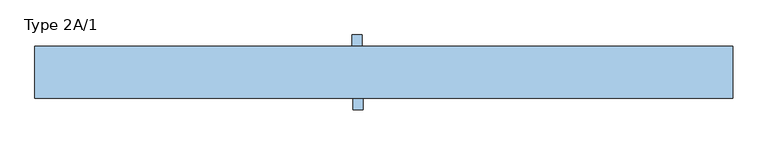
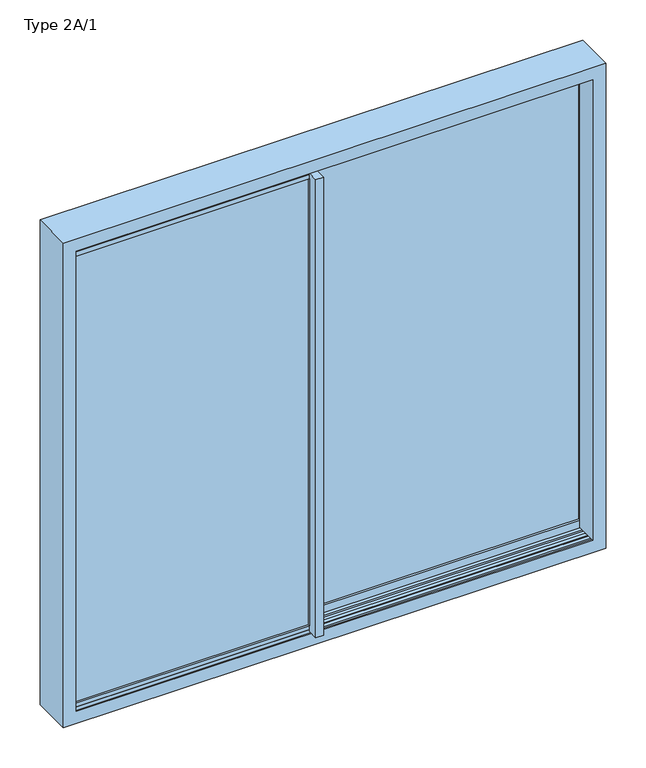
"""IFC4 building model written with IfcOpenShell, lengths in millimetres: window geometry, Type 2A/1."""

from ifc_helpers import new_model, si_unit, frame, origin, origin_with_axes, place, context, project, spatial, polyline, outline, extrude, faceted_brep, source, transform, mapped, element, save


def type_2a_1_108024bb(model_context):
    return source(origin(), model_context, "Body", "SolidModel", [
        faceted_brep([(1133.2202041, 73.0, 31.5797959), (1133.2202041, 83.0, 31.5797959), (-72.2, 83.0, 31.5797959), (-72.2, 73.0, 31.5797959), (-93.279797, 83.0, 12.7999989), (1152.0000011, 83.0, 12.7999989), (1152.0000011, 140.0, 12.7999989), (-93.279797, 140.0, 12.7999989), (-105.5, 137.5, -15.1996996), (-105.5, 140.0, -15.1996996), (1160.7000008, 140.0, -15.1996996), (1160.7000008, 137.5, -15.1996996), (-105.5, 137.5, 2.7998487), (-105.5, 75.4999999, 2.7998487), (-105.5, 75.4999999, -15.1996996), (-105.5, 73.0, -15.1996996), (-105.5, 73.0, 5.8356019), (-105.5, 53.5000069, 5.8356019), (-105.5, 53.5000069, 2127.2000011), (-105.5, 73.0, 2127.2000011), (-105.5, 73.0, 2148.1996996), (-105.5, 75.4999999, 2148.1996996), (-105.5, 75.4999999, 2130.2001513), (-105.5, 137.5, 2130.2001513), (-105.5, 137.5, 2148.1996996), (-105.5, 140.0, 2148.1996996), (1160.7000008, 140.0, 2148.1996996), (1152.0000011, 140.0, 2120.2000011), (-93.279797, 140.0, 2120.2000011), (-90.0, 73.0, 5.8356019), (1160.7000008, 73.0, -15.1996996), (1160.7000008, 73.0, 2148.1996996), (-90.0, 73.0, 2127.2000011), (1133.2202041, 73.0, 2101.4202041), (-72.2, 73.0, 2101.4202041), (1152.0000011, 83.0, 2120.2000011), (-93.279797, 83.0, 2120.2000011), (1133.2202041, 83.0, 2101.4202041), (-72.2, 83.0, 2101.4202041), (1160.7000008, 137.5, 2.7998487), (1160.7000008, 137.5, 2130.2001513), (1160.7000008, 137.5, 2148.1996996), (1160.7000008, 75.4999999, 2.7998487), (1160.7000008, 75.4999999, -15.1996996), (1160.7000008, 75.4999999, 2148.1996996), (1160.7000008, 75.4999999, 2130.2001513), (-90.0, 53.5000069, 5.8356019), (-90.0, 53.5000069, 2127.2000011)], [[[0, 1, 2, 3]], [[4, 5, 6, 7]], [[8, 9, 10, 11]], [[9, 8, 12, 13, 14, 15, 16, 17, 18, 19, 20, 21, 22, 23, 24, 25]], [[9, 25, 26, 10], [6, 27, 28, 7]], [[29, 16, 15, 30, 31, 20, 19, 32], [33, 0, 3, 34]], [[35, 5, 4, 36], [1, 37, 38, 2]], [[12, 8, 11, 39]], [[24, 23, 40, 41]], [[13, 12, 39, 42]], [[14, 13, 42, 43]], [[22, 21, 44, 45]], [[29, 46, 17, 16]], [[47, 18, 17, 46]], [[0, 33, 37, 1]], [[2, 38, 34, 3]], [[29, 32, 47, 46]], [[5, 35, 27, 6]], [[36, 4, 7, 28]], [[18, 47, 32, 19]], [[25, 24, 41, 26]], [[23, 22, 45, 40]], [[37, 33, 34, 38]], [[27, 35, 36, 28]], [[15, 14, 43, 30]], [[31, 30, 43, 42, 39, 11, 10, 26, 41, 40, 45, 44]], [[21, 20, 31, 44]]]),
        extrude(outline(polyline([(2120.2000011, -93.279797), (12.7999989, -93.279797), (12.7999989, 1152.0000011), (2120.2000011, 1152.0000011), (2120.2000011, -93.279797)]), holes=[polyline([(2101.4202041, 1133.2202041), (31.5797959, 1133.2202041), (31.5797959, -74.5), (2101.4202041, -74.5), (2101.4202041, 1133.2202041)])]), frame((0.0, 132.2799866, 0.0), z_axis=(0.0, 1.0, 0.0), x_axis=(0.0, 0.0, 1.0)), (0.0, 0.0, 1.0), 7.7200134),
        extrude(outline(polyline([(1152.0000011, 83.0), (-93.279797, 83.0), (-93.279797, 132.2799866), (1152.0000011, 132.2799866), (1152.0000011, 83.0)])), frame((0.0, 0.0, 12.7999989), z_axis=(0.0, 0.0, 1.0), x_axis=(1.0, 0.0, 0.0)), (0.0, 0.0, 1.0), 2107.4000022),
        extrude(outline(polyline([(-74.5, 140.0), (-105.5, 140.0), (-105.5, 53.5000069), (-108.5, 53.5000069), (-108.5, 189.0000069), (-74.5, 189.0000069), (-74.5, 140.0)])), frame((0.0, 0.0, 5.8356019), z_axis=(0.0, 0.0, 1.0), x_axis=(1.0, 0.0, 0.0)), (0.0, 0.0, 1.0), 2121.3643992),
        faceted_brep([(-1133.2202041, 50.0, 31.5797959), (-1133.2202041, 40.0, 31.5797959), (-107.8, 40.0, 31.5797959), (-107.8, 50.0, 31.5797959), (-86.720203, 40.0, 12.7999989), (-1152.0000011, 40.0, 12.7999989), (-1152.0000011, -17.0, 12.7999989), (-86.720203, -17.0, 12.7999989), (-74.5, -14.5, -15.1996996), (-74.5, -17.0, -15.1996996), (-1160.7000008, -17.0, -15.1996996), (-1160.7000008, -14.5, -15.1996996), (-74.5, -14.5, 2.7998487), (-74.5, 47.5000001, 2.7998487), (-74.5, 47.5000001, -15.1996996), (-74.5, 50.0, -15.1996996), (-74.5, 50.0, 5.8356019), (-74.5, 69.4999931, 5.8356019), (-74.5, 69.4999931, 2127.2000011), (-74.5, 50.0, 2127.2000011), (-74.5, 50.0, 2148.1996996), (-74.5, 47.5000001, 2148.1996996), (-74.5, 47.5000001, 2130.2001513), (-74.5, -14.5, 2130.2001513), (-74.5, -14.5, 2148.1996996), (-74.5, -17.0, 2148.1996996), (-1160.7000008, -17.0, 2148.1996996), (-1152.0000011, -17.0, 2120.2000011), (-86.720203, -17.0, 2120.2000011), (-90.0, 50.0, 5.8356019), (-1160.7000008, 50.0, -15.1996996), (-1160.7000008, 50.0, 2148.1996996), (-90.0, 50.0, 2127.2000011), (-1133.2202041, 50.0, 2101.4202041), (-107.8, 50.0, 2101.4202041), (-1152.0000011, 40.0, 2120.2000011), (-86.720203, 40.0, 2120.2000011), (-1133.2202041, 40.0, 2101.4202041), (-107.8, 40.0, 2101.4202041), (-1160.7000008, -14.5, 2.7998487), (-1160.7000008, -14.5, 2130.2001513), (-1160.7000008, -14.5, 2148.1996996), (-1160.7000008, 47.5000001, 2.7998487), (-1160.7000008, 47.5000001, -15.1996996), (-1160.7000008, 47.5000001, 2148.1996996), (-1160.7000008, 47.5000001, 2130.2001513), (-90.0, 69.4999931, 5.8356019), (-90.0, 69.4999931, 2127.2000011)], [[[0, 1, 2, 3]], [[4, 5, 6, 7]], [[8, 9, 10, 11]], [[9, 8, 12, 13, 14, 15, 16, 17, 18, 19, 20, 21, 22, 23, 24, 25]], [[9, 25, 26, 10], [6, 27, 28, 7]], [[29, 16, 15, 30, 31, 20, 19, 32], [33, 0, 3, 34]], [[35, 5, 4, 36], [1, 37, 38, 2]], [[12, 8, 11, 39]], [[24, 23, 40, 41]], [[13, 12, 39, 42]], [[14, 13, 42, 43]], [[22, 21, 44, 45]], [[29, 46, 17, 16]], [[47, 18, 17, 46]], [[0, 33, 37, 1]], [[2, 38, 34, 3]], [[29, 32, 47, 46]], [[5, 35, 27, 6]], [[36, 4, 7, 28]], [[18, 47, 32, 19]], [[25, 24, 41, 26]], [[23, 22, 45, 40]], [[37, 33, 34, 38]], [[27, 35, 36, 28]], [[15, 14, 43, 30]], [[31, 30, 43, 42, 39, 11, 10, 26, 41, 40, 45, 44]], [[21, 20, 31, 44]]]),
        extrude(outline(polyline([(2120.2000011, -1152.0000011), (12.7999989, -1152.0000011), (12.7999989, -86.720203), (2120.2000011, -86.720203), (2120.2000011, -1152.0000011)]), holes=[polyline([(2101.4202041, -105.5), (31.5797959, -105.5), (31.5797959, -1133.2202041), (2101.4202041, -1133.2202041), (2101.4202041, -105.5)])]), frame((0.0, -17.0, 0.0), z_axis=(0.0, 1.0, 0.0), x_axis=(0.0, 0.0, 1.0)), (0.0, 0.0, 1.0), 7.7200134),
        extrude(outline(polyline([(-1152.0000011, 40.0), (-86.720203, 40.0), (-86.720203, -9.2799866), (-1152.0000011, -9.2799866), (-1152.0000011, 40.0)])), frame((0.0, 0.0, 12.7999989), z_axis=(0.0, 0.0, 1.0), x_axis=(1.0, 0.0, 0.0)), (0.0, 0.0, 1.0), 2107.4000022),
        extrude(outline(polyline([(-105.5, -17.0), (-74.5, -17.0), (-74.5, 69.4999931), (-71.5, 69.4999931), (-71.5, -66.0000069), (-105.5, -66.0000069), (-105.5, -17.0)])), frame((0.0, 0.0, 5.8356019), z_axis=(0.0, 0.0, 1.0), x_axis=(1.0, 0.0, 0.0)), (0.0, 0.0, 1.0), 2121.3643992),
        faceted_brep([(-90.0, 53.5, 0.0), (-90.0, 69.5, 0.0), (-90.0, 69.5, -30.5), (-90.0, 78.35, -30.5), (-90.0, 78.35, 0.0), (-90.0, 134.65, 0.0), (-90.0, 134.65, -30.5), (-90.0, 143.5, -30.5), (-90.0, 143.5, 0.0), (-90.0, 150.0, 0.0), (-90.0, 150.0, 1.7), (-90.0, 53.5, 1.7), (-1133.0, 53.5, 0.0), (-1133.0, 69.5, 0.0), (-90.0, 69.5, 2133.0), (-90.0, 69.5, 2163.5), (-1163.5, 69.5, 2163.5), (-1163.5, 69.5, -30.5), (-1133.0, 69.5, 2133.0), (-1163.5, 78.35, -30.5), (-90.0, 78.35, 2163.5), (-90.0, 78.35, 2133.0), (-1133.0, 78.35, 2133.0), (-1133.0, 78.35, 0.0), (-1163.5, 78.35, 2163.5), (-1133.0, 134.65, 0.0), (-90.0, 134.65, 2133.0), (-90.0, 134.65, 2163.5), (-1163.5, 134.65, 2163.5), (-1163.5, 134.65, -30.5), (-1133.0, 134.65, 2133.0), (-1163.5, 143.5, -30.5), (-90.0, 143.5, 2163.5), (-90.0, 143.5, 2133.0), (-1133.0, 143.5, 2133.0), (-1133.0, 143.5, 0.0), (-1163.5, 143.5, 2163.5), (-1133.0, 150.0, 0.0), (-90.0, 150.0, 2133.0), (-90.0, 150.0, 2131.3), (-1131.3, 150.0, 2131.3), (-1131.3, 150.0, 1.7), (-1133.0, 150.0, 2133.0), (-1131.3, 53.5, 1.7), (-90.0, 53.5, 2131.3), (-90.0, 53.5, 2133.0), (-1133.0, 53.5, 2133.0), (-1131.3, 53.5, 2131.3)], [[[0, 1, 2, 3, 4, 5, 6, 7, 8, 9, 10, 11]], [[12, 13, 1, 0]], [[14, 15, 16, 17, 2, 1, 13, 18]], [[17, 19, 3, 2]], [[20, 21, 22, 23, 4, 3, 19, 24]], [[23, 25, 5, 4]], [[26, 27, 28, 29, 6, 5, 25, 30]], [[29, 31, 7, 6]], [[32, 33, 34, 35, 8, 7, 31, 36]], [[35, 37, 9, 8]], [[38, 39, 40, 41, 10, 9, 37, 42]], [[41, 43, 11, 10]], [[44, 45, 46, 12, 0, 11, 43, 47]], [[40, 47, 43, 41]], [[34, 42, 37, 35]], [[28, 36, 31, 29]], [[22, 30, 25, 23]], [[16, 24, 19, 17]], [[46, 18, 13, 12]], [[45, 44, 39, 38, 33, 32, 27, 26, 21, 20, 15, 14]], [[39, 44, 47, 40]], [[33, 38, 42, 34]], [[27, 32, 36, 28]], [[21, 26, 30, 22]], [[15, 20, 24, 16]], [[45, 14, 18, 46]]]),
        extrude(outline(polyline([(1133.0, 69.5), (1133.0, 53.5), (1163.5, 53.5), (1163.5, 44.65), (1133.0, 44.65), (1133.0, -11.65), (1163.5, -11.65), (1163.5, -20.5), (1133.0, -20.5), (1133.0, -27.0), (1131.3, -27.0), (1131.3, 69.5), (1133.0, 69.5)])), origin_with_axes(), (0.0, 0.0, 1.0), 2133.2),
        faceted_brep([(-1190.0, -27.0, 2190.0), (-1190.0, 150.0, 2190.0), (-1190.0, 150.0, -57.0), (-1190.0, -27.0, -57.0), (1190.0, 150.0, -57.0), (1190.0, -27.0, -57.0), (1190.0, 150.0, 2190.0), (1133.0, 150.0, 0.0), (1133.0, 150.0, 2133.0), (-1133.0, 150.0, 2133.0), (-1133.0, 150.0, 0.0), (1190.0, -27.0, 2190.0), (-1133.0, -27.0, 0.0), (-1133.0, -27.0, 2133.0), (1133.0, -27.0, 2133.0), (1133.0, -27.0, 0.0), (-1133.0, -20.5, 2133.0), (-1133.0, -20.5, 0.0), (1133.0, -20.5, 0.0), (1133.0, -20.5, 2133.0), (-1163.5, -20.5, -30.5), (-1163.5, -20.5, 2163.5), (1163.5, -20.5, 2163.5), (1163.5, -20.5, -30.5), (-1163.5, 53.5, 2163.5), (-1163.5, 53.5, -30.5), (1163.5, 53.5, -30.5), (1163.5, 53.5, 2163.5), (-1133.0, 53.5, 0.0), (-1133.0, 53.5, 2133.0), (1133.0, 53.5, 2133.0), (1133.0, 53.5, 0.0), (-1133.0, 69.5, 2133.0), (-1133.0, 69.5, 0.0), (1133.0, 69.5, 0.0), (1133.0, 69.5, 2133.0), (-1163.5, 69.5, -30.5), (-1163.5, 69.5, 2163.5), (1163.5, 69.5, 2163.5), (1163.5, 69.5, -30.5), (-1163.5, 143.5, 2163.5), (-1163.5, 143.5, -30.5), (1163.5, 143.5, -30.5), (1163.5, 143.5, 2163.5), (-1133.0, 143.5, 0.0), (-1133.0, 143.5, 2133.0), (1133.0, 143.5, 2133.0), (1133.0, 143.5, 0.0)], [[[0, 1, 2, 3]], [[3, 2, 4, 5]], [[2, 1, 6, 4], [7, 8, 9, 10]], [[5, 4, 6, 11]], [[5, 11, 0, 3], [12, 13, 14, 15]], [[16, 13, 12, 17]], [[17, 12, 15, 18]], [[18, 15, 14, 19]], [[20, 21, 22, 23], [18, 19, 16, 17]], [[24, 21, 20, 25]], [[25, 20, 23, 26]], [[26, 23, 22, 27]], [[26, 27, 24, 25], [28, 29, 30, 31]], [[32, 29, 28, 33]], [[33, 28, 31, 34]], [[34, 31, 30, 35]], [[36, 37, 38, 39], [34, 35, 32, 33]], [[40, 37, 36, 41]], [[41, 36, 39, 42]], [[42, 39, 38, 43]], [[42, 43, 40, 41], [44, 45, 46, 47]], [[9, 45, 44, 10]], [[10, 44, 47, 7]], [[7, 47, 46, 8]], [[11, 6, 1, 0]], [[19, 14, 13, 16]], [[27, 22, 21, 24]], [[35, 30, 29, 32]], [[43, 38, 37, 40]], [[8, 46, 45, 9]]]),
        extrude(outline(polyline([(80.0, -30.5), (80.0, -0.2), (96.2954822, -0.2), (106.5, -4.9584448), (116.7045178, -0.2), (133.0, -0.2), (133.0, -30.5), (80.0, -30.5)])), frame((-1163.5, 0.0, 0.0), z_axis=(1.0, 0.0, 0.0), x_axis=(0.0, 1.0, 0.0)), (0.0, 0.0, 1.0), 2327.0),
        extrude(outline(polyline([(43.0, -30.5), (-10.0, -30.5), (-10.0, -0.2), (6.2954822, -0.2), (16.5, -4.9584448), (26.7045178, -0.2), (43.0, -0.2), (43.0, -30.5)])), frame((-1163.5, 0.0, 0.0), z_axis=(1.0, 0.0, 0.0), x_axis=(0.0, 1.0, 0.0)), (0.0, 0.0, 1.0), 2327.0),
    ])


if __name__ == "__main__":
    model = new_model("IFC4")
    model_context = context("Model", 3, world=origin())
    ifc_project = project(units=[si_unit("LENGTHUNIT", "METRE", prefix="MILLI")], contexts=[model_context])
    site = spatial("IfcSite", under=ifc_project)
    building = spatial("IfcBuilding", under=site)
    placement = place(None, origin())
    type_2a_1_shape = type_2a_1_108024bb(model_context)
    element("IfcWindow", 1, ObjectType="Type 2A/1", at=placement, inside=building, context=model_context, shape_type="MappedRepresentation", body=[
        mapped(type_2a_1_shape, transform((0.0, 0.0, 0.0), x_axis=(1.0, 0.0, 0.0), y_axis=(0.0, 1.0, 0.0), z_axis=(0.0, 0.0, 1.0))),
    ])
    save(model, "model.ifc")
